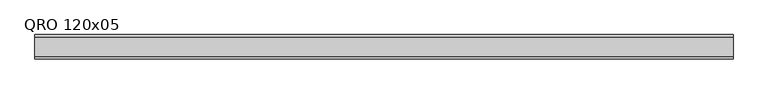
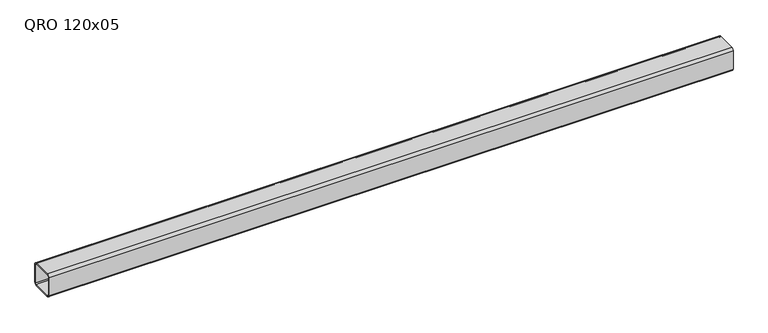
"""IFC4 building model written with IfcOpenShell, lengths in millimetres: beam geometry, QRO 120x05."""

from ifc_helpers import new_model, si_unit, point, frame, frame_2d, origin, place, context, project, spatial, polyline, circle_curve, trimmed, segment, composite_curve, outline, extrude, source, transform, mapped, element, save


def qro_120x05_7e31633d(model_context):
    return source(origin(), model_context, "Body", "SweptSolid", [
        extrude(outline(composite_curve([segment(polyline([(60.0, 48.0), (60.0, -48.0)]), True, "CONTINUOUS"), segment(trimmed(circle_curve(frame_2d((48.0, -48.0)), 12.0), [point((60.0, -48.0))], [point((48.0, -60.0))], False, "CARTESIAN"), True, "CONTINUOUS"), segment(polyline([(48.0, -60.0), (-48.0, -60.0)]), True, "CONTINUOUS"), segment(trimmed(circle_curve(frame_2d((-48.0, -48.0)), 12.0), [point((-48.0, -60.0))], [point((-60.0, -48.0))], False, "CARTESIAN"), True, "CONTINUOUS"), segment(polyline([(-60.0, -48.0), (-60.0, 48.0)]), True, "CONTINUOUS"), segment(trimmed(circle_curve(frame_2d((-48.0, 48.0)), 12.0), [point((-60.0, 48.0))], [point((-48.0, 60.0))], False, "CARTESIAN"), True, "CONTINUOUS"), segment(polyline([(-48.0, 60.0), (48.0, 60.0)]), True, "CONTINUOUS"), segment(trimmed(circle_curve(frame_2d((48.0, 48.0)), 12.0), [point((48.0, 60.0))], [point((60.0, 48.0))], False, "CARTESIAN"), True, "CONTINUOUS")], self_intersect=False), holes=[composite_curve([segment(trimmed(circle_curve(frame_2d((-48.0, 48.0)), 6.0), [point((-48.0, 54.0))], [point((-54.0, 48.0))], True, "CARTESIAN"), True, "CONTINUOUS"), segment(polyline([(-54.0, 48.0), (-54.0, -48.0)]), True, "CONTINUOUS"), segment(trimmed(circle_curve(frame_2d((-48.0, -48.0)), 6.0), [point((-54.0, -48.0))], [point((-48.0, -54.0))], True, "CARTESIAN"), True, "CONTINUOUS"), segment(polyline([(-48.0, -54.0), (48.0, -54.0)]), True, "CONTINUOUS"), segment(trimmed(circle_curve(frame_2d((48.0, -48.0)), 6.0), [point((48.0, -54.0))], [point((54.0, -48.0))], True, "CARTESIAN"), True, "CONTINUOUS"), segment(polyline([(54.0, -48.0), (54.0, 48.0)]), True, "CONTINUOUS"), segment(trimmed(circle_curve(frame_2d((48.0, 48.0)), 6.0), [point((54.0, 48.0))], [point((48.0, 54.0))], True, "CARTESIAN"), True, "CONTINUOUS"), segment(polyline([(48.0, 54.0), (-48.0, 54.0)]), True, "CONTINUOUS")], self_intersect=False)]), frame((-1665.2102995, 0.0, 0.0), z_axis=(1.0, 0.0, 0.0), x_axis=(0.0, 1.0, 0.0)), (0.0, 0.0, 1.0), 3431.998796),
    ])


if __name__ == "__main__":
    model = new_model("IFC4")
    model_context = context("Model", 3, world=origin())
    ifc_project = project(units=[si_unit("LENGTHUNIT", "METRE", prefix="MILLI")], contexts=[model_context])
    site = spatial("IfcSite", under=ifc_project)
    building = spatial("IfcBuilding", under=site)
    placement = place(None, origin())
    qro_120x05_shape = qro_120x05_7e31633d(model_context)
    element("IfcBeam", 1, ObjectType="QRO 120x05", at=placement, inside=building, context=model_context, shape_type="MappedRepresentation", body=[
        mapped(qro_120x05_shape, transform((0.0, 0.0, 0.0), x_axis=(1.0, 0.0, 0.0), y_axis=(0.0, 1.0, 0.0), z_axis=(0.0, 0.0, 1.0))),
    ])
    save(model, "model.ifc")
